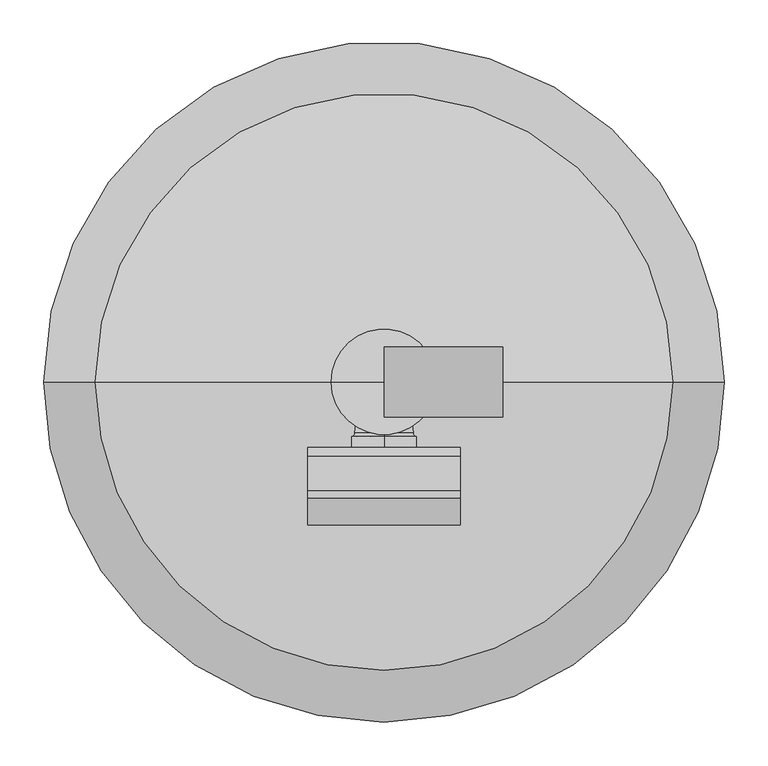
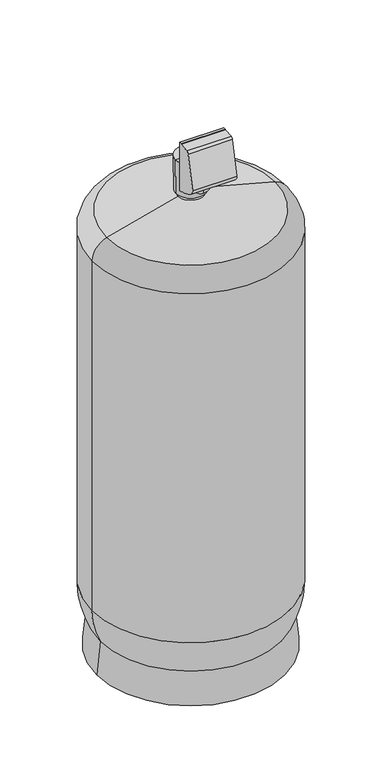
"""IFC4 building model written with IfcOpenShell, lengths in millimetres: proxy geometry."""

from ifc_helpers import new_model, si_unit, point, frame, frame_2d, origin, place, context, project, spatial, polyline, circle_curve, ellipse_curve, trimmed, segment, composite_curve, outline, extrude, source, transform, mapped, element, save
from ifc_brep_helpers import plane_surface, cylinder_surface, revolved_surface, advanced_brep


def generic_models_330928ab(model_context):
    return source(origin(), model_context, "Body", "SolidModel", [
        extrude(outline(composite_curve([segment(polyline([(-124.1105092, 2154.3115881), (-84.652, 2157.7637604), (-84.652, 2160.0), (-75.0, 2160.0), (-75.0, 1960.0), (-84.652, 1960.0), (-84.652, 1962.2507123)]), True, "CONTINUOUS"), segment(trimmed(circle_curve(frame_2d((-54.867924, 2124.8981403)), 165.3519792), [point((-84.652, 1962.2507123))], [point((-153.3783136, 1992.0938476))], False, "CARTESIAN"), True, "CONTINUOUS"), segment(trimmed(circle_curve(frame_2d((-138.2459135, 2012.4942105)), 25.4000854), [point((-153.3783136, 1992.0938476))], [point((-163.6456968, 2012.3703304))], False, "CARTESIAN"), True, "CONTINUOUS"), segment(polyline([(-163.6456968, 2012.3703304), (-133.0388133, 2146.8198515)]), True, "CONTINUOUS"), segment(trimmed(circle_curve(frame_2d((-123.2250069, 2144.19025)), 10.16), [point((-133.0388133, 2146.8198515))], [point((-124.1105092, 2154.3115881))], False, "CARTESIAN"), True, "CONTINUOUS")], self_intersect=False)), frame((-87.0649885, 0.0, 0.0), z_axis=(1.0, 0.0, 0.0), x_axis=(0.0, 1.0, 0.0)), (0.0, 0.0, 1.0), 174.1299769),
        extrude(outline(composite_curve([segment(trimmed(circle_curve(frame_2d((0.0, 2040.0)), 40.0), [point((-40.0, 2040.0))], [point((40.0, 2040.0))], False, "CARTESIAN"), True, "CONTINUOUS"), segment(trimmed(circle_curve(frame_2d((0.0, 2040.0)), 40.0), [point((40.0, 2040.0))], [point((-40.0, 2040.0))], False, "CARTESIAN"), True, "CONTINUOUS")], self_intersect=False)), frame((0.0, 0.0, 0.0), z_axis=(1.0, 0.0, 0.0), x_axis=(0.0, 1.0, 0.0)), (0.0, 0.0, 1.0), 136.0),
        advanced_brep(
        [(-51.9118095, 0.0, 1879.0902726), (51.9118095, 0.0, 1879.0902726), (330.2055236, 0.0, 1804.5216966), (-330.2055236, 0.0, 1804.5216966), (-44.5, 0.0, 1890.333), (44.5, 0.0, 1890.333), (44.5, 0.0, 1888.7495308), (-44.5, 0.0, 1888.7495308), (-46.1648686, 0.0, 1890.333), (46.1648686, 0.0, 1890.333), (0.0, 0.0, 1893.0), (46.1648686, 0.0, 1893.0), (-46.1648686, 0.0, 1893.0), (-370.5, 0.0, 0.0), (370.5, 0.0, 0.0), (0.0, 0.0, 0.0), (-389.5, 0.0, 1727.2476305), (389.5, 0.0, 1727.2476305), (389.5, 0.0, 275.1537038), (-389.5, 0.0, 275.1537038), (-356.3886575, 0.0, 134.2604559), (356.3886575, 0.0, 134.2604559)],
        [
            (0, 1, circle_curve(frame((0.0, 0.0, 1879.0902726), z_axis=(0.0, 0.0, -1.0), x_axis=(1.0, 0.0, 0.0)), 51.9118095)),
            (1, 2),
            (2, 3, circle_curve(frame((0.0, 0.0, 1804.5216966), z_axis=(0.0, 0.0, 1.0), x_axis=(1.0, 0.0, 0.0)), 330.2055236)),
            (3, 0),
            (1, 0, circle_curve(frame((0.0, 0.0, 1879.0902726), z_axis=(0.0, 0.0, -1.0), x_axis=(1.0, 0.0, 0.0)), 51.9118095)),
            (3, 2, circle_curve(frame((0.0, 0.0, 1804.5216966), z_axis=(0.0, 0.0, 1.0), x_axis=(1.0, 0.0, 0.0)), 330.2055236)),
            (4, 5, circle_curve(frame((0.0, 0.0, 1890.333), z_axis=(0.0, 0.0, -1.0), x_axis=(1.0, 0.0, 0.0)), 44.5)),
            (5, 6),
            (6, 7, circle_curve(frame((0.0, 0.0, 1888.7495308), z_axis=(0.0, 0.0, 1.0), x_axis=(1.0, 0.0, 0.0)), 44.5)),
            (7, 4),
            (5, 4, circle_curve(frame((0.0, 0.0, 1890.333), z_axis=(0.0, 0.0, -1.0), x_axis=(1.0, 0.0, 0.0)), 44.5)),
            (7, 6, circle_curve(frame((0.0, 0.0, 1888.7495308), z_axis=(0.0, 0.0, 1.0), x_axis=(1.0, 0.0, 0.0)), 44.5)),
            (8, 9, circle_curve(frame((0.0, 0.0, 1890.333), z_axis=(0.0, 0.0, -1.0), x_axis=(1.0, 0.0, 0.0)), 46.1648686)),
            (9, 5),
            (4, 8),
            (9, 8, circle_curve(frame((0.0, 0.0, 1890.333), z_axis=(0.0, 0.0, -1.0), x_axis=(1.0, 0.0, 0.0)), 46.1648686)),
            (10, 11),
            (11, 12, circle_curve(frame((0.0, 0.0, 1893.0), z_axis=(0.0, 0.0, 1.0), x_axis=(1.0, 0.0, 0.0)), 46.1648686)),
            (12, 10),
            (12, 11, circle_curve(frame((0.0, 0.0, 1893.0), z_axis=(0.0, 0.0, 1.0), x_axis=(1.0, 0.0, 0.0)), 46.1648686)),
            (13, 14, circle_curve(frame((0.0, 0.0, 0.0), z_axis=(0.0, 0.0, -1.0), x_axis=(1.0, 0.0, 0.0)), 370.5)),
            (14, 15),
            (15, 13),
            (14, 13, circle_curve(frame((0.0, 0.0, 0.0), z_axis=(0.0, 0.0, -1.0), x_axis=(1.0, 0.0, 0.0)), 370.5)),
            (16, 17, circle_curve(frame((0.0, 0.0, 1727.2476305), z_axis=(0.0, 0.0, -1.0), x_axis=(1.0, 0.0, 0.0)), 389.5)),
            (17, 18),
            (18, 19, circle_curve(frame((0.0, 0.0, 275.1537038), z_axis=(0.0, 0.0, 1.0), x_axis=(1.0, 0.0, 0.0)), 389.5)),
            (19, 16),
            (17, 16, circle_curve(frame((0.0, 0.0, 1727.2476305), z_axis=(0.0, 0.0, -1.0), x_axis=(1.0, 0.0, 0.0)), 389.5)),
            (19, 18, circle_curve(frame((0.0, 0.0, 275.1537038), z_axis=(0.0, 0.0, 1.0), x_axis=(1.0, 0.0, 0.0)), 389.5)),
            (2, 17, circle_curve(frame((309.5, 0.0, 1727.2476305), z_axis=(0.0, 1.0, 0.0), x_axis=(1.0, 0.0, 0.0)), 80.0)),
            (16, 3, circle_curve(frame((-309.5, 0.0, 1727.2476305), z_axis=(0.0, 1.0, 0.0), x_axis=(-1.0, 0.0, 0.0)), 80.0)),
            (6, 1, circle_curve(frame((54.5, 0.0, 1888.7495308), z_axis=(0.0, -1.0, 0.0), x_axis=(1.0, 0.0, 0.0)), 10.0)),
            (0, 7, circle_curve(frame((-54.5, 0.0, 1888.7495308), z_axis=(0.0, -1.0, 0.0), x_axis=(-1.0, 0.0, 0.0)), 10.0)),
            (11, 9),
            (8, 12),
            (20, 21, circle_curve(frame((0.0, 0.0, 134.2604559), z_axis=(0.0, 0.0, -1.0), x_axis=(1.0, 0.0, 0.0)), 356.3886575)),
            (21, 14),
            (13, 20),
            (21, 20, circle_curve(frame((0.0, 0.0, 134.2604559), z_axis=(0.0, 0.0, -1.0), x_axis=(1.0, 0.0, 0.0)), 356.3886575)),
            (18, 21, circle_curve(frame((73.1844007, 0.0, 275.1537038), z_axis=(0.0, 1.0, 0.0), x_axis=(1.0, 0.0, 0.0)), 316.3155993)),
            (20, 19, circle_curve(frame((-73.1844007, 0.0, 275.1537038), z_axis=(0.0, 1.0, 0.0), x_axis=(-1.0, 0.0, 0.0)), 316.3155993)),
        ],
        [
            revolved_surface(polyline([(330.2055236, 0.0, 1804.5216966), (51.9118095, 0.0, 1879.0902726)]), (0.0, 0.0, 1893.0), (0.0, 0.0, 1.0)),
            cylinder_surface(frame((0.0, 0.0, 1893.0), z_axis=(0.0, 0.0, 1.0), x_axis=(1.0, 0.0, 0.0)), 44.5),
            plane_surface(frame((0.0, 0.0, 1890.333), z_axis=(0.0, 0.0, -1.0), x_axis=(1.0, 0.0, 0.0))),
            plane_surface(frame((0.0, 0.0, 1893.0), z_axis=(0.0, 0.0, 1.0), x_axis=(1.0, 0.0, 0.0))),
            plane_surface(frame((0.0, 0.0, 0.0), z_axis=(0.0, 0.0, -1.0), x_axis=(1.0, 0.0, 0.0))),
            cylinder_surface(frame((0.0, 0.0, 1893.0), z_axis=(0.0, 0.0, 1.0), x_axis=(1.0, 0.0, 0.0)), 389.5),
            revolved_surface(trimmed(ellipse_curve(frame((309.5, 0.0, 1727.2476305), z_axis=(0.0, -1.0, 0.0), x_axis=(1.0, 0.0, 0.0)), 80.0, 80.0), [point((389.5, 0.0, 1727.2476305))], [point((330.2055236, 0.0, 1804.5216966))], True, "CARTESIAN"), (0.0, 0.0, 1893.0), (0.0, 0.0, 1.0)),
            revolved_surface(trimmed(ellipse_curve(frame((54.5, 0.0, 1888.7495308), z_axis=(0.0, 1.0, 0.0), x_axis=(1.0, 0.0, 0.0)), 10.0, 10.0), [point((51.9118095, 0.0, 1879.0902726))], [point((44.5, 0.0, 1888.7495308))], True, "CARTESIAN"), (0.0, 0.0, 1893.0), (0.0, 0.0, 1.0)),
            cylinder_surface(frame((0.0, 0.0, 1893.0), z_axis=(0.0, 0.0, 1.0), x_axis=(1.0, 0.0, 0.0)), 46.1648686),
            revolved_surface(polyline([(370.5, 0.0, 0.0), (356.3886575, 0.0, 134.2604559)]), (0.0, 0.0, 1893.0), (0.0, 0.0, 1.0)),
            revolved_surface(trimmed(ellipse_curve(frame((73.1844007, 0.0, 275.1537038), z_axis=(0.0, -1.0, 0.0), x_axis=(1.0, 0.0, 0.0)), 316.3155993, 316.3155993), [point((356.3886575, 0.0, 134.2604559))], [point((389.5, 0.0, 275.1537038))], True, "CARTESIAN"), (0.0, 0.0, 1893.0), (0.0, 0.0, 1.0)),
        ],
        [
            (0, [[1, 2, 3, 4]]),
            (0, [[5, -4, 6, -2]]),
            (1, [[7, 8, 9, 10]]),
            (1, [[11, -10, 12, -8]]),
            (2, [[13, 14, -7, 15]]),
            (2, [[16, -15, -11, -14]]),
            (3, [[17, 18, 19]]),
            (3, [[-19, 20, -17]]),
            (4, [[21, 22, 23]]),
            (4, [[24, -23, -22]]),
            (5, [[25, 26, 27, 28]]),
            (5, [[29, -28, 30, -26]]),
            (6, [[-3, 31, -25, 32]]),
            (6, [[-6, -32, -29, -31]]),
            (7, [[-9, 33, -1, 34]]),
            (7, [[-12, -34, -5, -33]]),
            (8, [[-18, 35, -13, 36]]),
            (8, [[-20, -36, -16, -35]]),
            (9, [[37, 38, -21, 39]]),
            (9, [[40, -39, -24, -38]]),
            (10, [[-27, 41, -37, 42]]),
            (10, [[-30, -42, -40, -41]]),
        ],
    ),
        advanced_brep(
        [(0.0, 0.0, 1938.7421392), (0.0, 0.0, 1983.3553685), (0.0, 0.0, 1961.0487539), (0.0, -31.9566274, 1930.7744571), (0.0, -31.9566274, 1991.3230506), (0.0, -57.9109457, 1927.6522914), (0.0, -57.9109457, 1994.4452164), (0.0, -61.8757095, 1925.4665191), (0.0, -61.8757095, 1996.6309887), (0.0, -62.6845842, 1924.0279701), (0.0, -62.6845842, 1998.0695377), (0.0, -84.582, 1924.0279701), (0.0, -84.582, 1998.0695377), (0.0, -84.582, 1961.0487539)],
        [
            (0, 1, circle_curve(frame((0.0, 0.0, 1961.0487539), z_axis=(0.0, 1.0, 0.0), x_axis=(0.0, 0.0, 1.0)), 22.3066146)),
            (1, 2),
            (2, 0),
            (1, 0, circle_curve(frame((0.0, 0.0, 1961.0487539), z_axis=(0.0, 1.0, 0.0), x_axis=(0.0, 0.0, 1.0)), 22.3066146)),
            (3, 4, circle_curve(frame((0.0, -31.9566274, 1961.0487539), z_axis=(0.0, 1.0, 0.0), x_axis=(0.0, 0.0, 1.0)), 30.2742967)),
            (4, 1),
            (0, 3),
            (4, 3, circle_curve(frame((0.0, -31.9566274, 1961.0487539), z_axis=(0.0, 1.0, 0.0), x_axis=(0.0, 0.0, 1.0)), 30.2742967)),
            (5, 6, circle_curve(frame((0.0, -57.9109457, 1961.0487539), z_axis=(0.0, 1.0, 0.0), x_axis=(0.0, 0.0, 1.0)), 33.3964625)),
            (6, 4, circle_curve(frame((0.0, -66.9915317, 1809.5198335), z_axis=(-1.0, 0.0, 0.0), x_axis=(0.0, 1.0, 0.0)), 185.1481954)),
            (3, 5, circle_curve(frame((0.0, -66.9915317, 2112.5776743), z_axis=(-1.0, 0.0, 0.0), x_axis=(0.0, 1.0, 0.0)), 185.1481954)),
            (6, 5, circle_curve(frame((0.0, -57.9109457, 1961.0487539), z_axis=(0.0, 1.0, 0.0), x_axis=(0.0, 0.0, 1.0)), 33.3964625)),
            (7, 8, circle_curve(frame((0.0, -61.8757095, 1961.0487539), z_axis=(0.0, 1.0, 0.0), x_axis=(0.0, 0.0, 1.0)), 35.5822348)),
            (8, 6, circle_curve(frame((0.0, -57.5754815, 1999.7424344), z_axis=(1.0, 0.0, 0.0), x_axis=(0.0, 1.0, 0.0)), 5.3078296)),
            (5, 7, circle_curve(frame((0.0, -57.5754815, 1922.3550733), z_axis=(1.0, 0.0, 0.0), x_axis=(0.0, 1.0, 0.0)), 5.3078296)),
            (8, 7, circle_curve(frame((0.0, -61.8757095, 1961.0487539), z_axis=(0.0, 1.0, 0.0), x_axis=(0.0, 0.0, 1.0)), 35.5822348)),
            (9, 10, circle_curve(frame((0.0, -62.6845842, 1961.0487539), z_axis=(0.0, 1.0, 0.0), x_axis=(0.0, 0.0, 1.0)), 37.0207838)),
            (10, 8, circle_curve(frame((0.0, -57.9109457, 1999.807), z_axis=(1.0, 0.0, 0.0), x_axis=(0.0, 1.0, 0.0)), 5.08)),
            (7, 9, circle_curve(frame((0.0, -57.9109457, 1922.2905078), z_axis=(1.0, 0.0, 0.0), x_axis=(0.0, 1.0, 0.0)), 5.08)),
            (10, 9, circle_curve(frame((0.0, -62.6845842, 1961.0487539), z_axis=(0.0, 1.0, 0.0), x_axis=(0.0, 0.0, 1.0)), 37.0207838)),
            (11, 12, circle_curve(frame((0.0, -84.582, 1961.0487539), z_axis=(0.0, 1.0, 0.0), x_axis=(0.0, 0.0, 1.0)), 37.0207838)),
            (12, 10),
            (9, 11),
            (12, 11, circle_curve(frame((0.0, -84.582, 1961.0487539), z_axis=(0.0, 1.0, 0.0), x_axis=(0.0, 0.0, 1.0)), 37.0207838)),
            (13, 12),
            (11, 13),
        ],
        [
            plane_surface(frame((0.0, 0.0, 1961.0487539), z_axis=(0.0, 1.0, 0.0), x_axis=(0.0, 0.0, 1.0))),
            revolved_surface(polyline([(0.0, 0.0, 1983.3553685), (0.0, -31.9566274, 1991.3230506)]), (0.0, -102.6845842, 1961.0487539), (0.0, -1.0, 0.0)),
            revolved_surface(trimmed(ellipse_curve(frame((0.0, -66.9915317, 1809.5198335), z_axis=(1.0, 0.0, 0.0), x_axis=(0.0, 1.0, 0.0)), 185.1481954, 185.1481954), [point((0.0, -31.9566274, 1991.3230506))], [point((0.0, -57.9109457, 1994.4452164))], True, "CARTESIAN"), (0.0, -102.6845842, 1961.0487539), (0.0, -1.0, 0.0)),
            revolved_surface(trimmed(ellipse_curve(frame((0.0, -57.5754815, 1999.7424344), z_axis=(-1.0, 0.0, 0.0), x_axis=(0.0, 1.0, 0.0)), 5.3078296, 5.3078296), [point((0.0, -57.9109457, 1994.4452164))], [point((0.0, -61.8757095, 1996.6309887))], True, "CARTESIAN"), (0.0, -102.6845842, 1961.0487539), (0.0, -1.0, 0.0)),
            revolved_surface(trimmed(ellipse_curve(frame((0.0, -57.9109457, 1999.807), z_axis=(-1.0, 0.0, 0.0), x_axis=(0.0, 1.0, 0.0)), 5.08, 5.08), [point((0.0, -61.8757095, 1996.6309887))], [point((0.0, -62.6845842, 1998.0695377))], True, "CARTESIAN"), (0.0, -102.6845842, 1961.0487539), (0.0, -1.0, 0.0)),
            cylinder_surface(frame((0.0, -102.6845842, 1961.0487539), z_axis=(0.0, -1.0, 0.0), x_axis=(0.0, 0.0, 1.0)), 37.0207838),
            plane_surface(frame((0.0, -84.582, 1961.0487539), z_axis=(0.0, -1.0, 0.0), x_axis=(0.0, 0.0, 1.0))),
        ],
        [
            (0, [[1, 2, 3]]),
            (0, [[4, -3, -2]]),
            (1, [[5, 6, -1, 7]]),
            (1, [[8, -7, -4, -6]]),
            (2, [[9, 10, -5, 11]]),
            (2, [[12, -11, -8, -10]]),
            (3, [[13, 14, -9, 15]]),
            (3, [[16, -15, -12, -14]]),
            (4, [[17, 18, -13, 19]]),
            (4, [[20, -19, -16, -18]]),
            (5, [[21, 22, -17, 23]]),
            (5, [[24, -23, -20, -22]]),
            (6, [[25, -21, 26]]),
            (6, [[-26, -24, -25]]),
        ],
    ),
        advanced_brep(
        [(-58.6791394, 0.0, 1893.0), (58.6791394, 0.0, 1893.0), (0.0, 0.0, 1893.0), (-60.4193392, 0.0, 2033.0), (60.4193392, 0.0, 2033.0), (0.0, 0.0, 2033.0)],
        [
            (0, 1, circle_curve(frame((0.0, 0.0, 1893.0), z_axis=(0.0, 0.0, -1.0), x_axis=(1.0, 0.0, 0.0)), 58.6791394)),
            (1, 2),
            (2, 0),
            (1, 0, circle_curve(frame((0.0, 0.0, 1893.0), z_axis=(0.0, 0.0, -1.0), x_axis=(1.0, 0.0, 0.0)), 58.6791394)),
            (3, 4, circle_curve(frame((0.0, 0.0, 2033.0), z_axis=(0.0, 0.0, -1.0), x_axis=(1.0, 0.0, 0.0)), 60.4193392)),
            (4, 1),
            (0, 3),
            (4, 3, circle_curve(frame((0.0, 0.0, 2033.0), z_axis=(0.0, 0.0, -1.0), x_axis=(1.0, 0.0, 0.0)), 60.4193392)),
            (5, 4),
            (3, 5),
        ],
        [
            plane_surface(frame((0.0, 0.0, 1893.0), z_axis=(0.0, 0.0, -1.0), x_axis=(1.0, 0.0, 0.0))),
            revolved_surface(polyline([(58.6791394, 0.0, 1893.0), (60.4193392, 0.0, 2033.0)]), (0.0, 0.0, 2039.8753239), (0.0, 0.0, 1.0)),
            plane_surface(frame((0.0, 0.0, 2033.0), z_axis=(0.0, 0.0, 1.0), x_axis=(1.0, 0.0, 0.0))),
        ],
        [
            (0, [[1, 2, 3]]),
            (0, [[4, -3, -2]]),
            (1, [[5, 6, -1, 7]]),
            (1, [[8, -7, -4, -6]]),
            (2, [[9, -5, 10]]),
            (2, [[-10, -8, -9]]),
        ],
    ),
    ])


if __name__ == "__main__":
    model = new_model("IFC4")
    model_context = context("Model", 3, world=origin())
    ifc_project = project(units=[si_unit("LENGTHUNIT", "METRE", prefix="MILLI")], contexts=[model_context])
    site = spatial("IfcSite", under=ifc_project)
    building = spatial("IfcBuilding", under=site)
    placement = place(None, origin())
    generic_models_shape = generic_models_330928ab(model_context)
    element("IfcBuildingElementProxy", 1, Name="Generic Models", at=placement, inside=building, context=model_context, shape_type="MappedRepresentation", body=[
        mapped(generic_models_shape, transform((0.0, 0.0, 0.0), x_axis=(1.0, 0.0, 0.0), y_axis=(0.0, 1.0, 0.0), z_axis=(0.0, 0.0, 1.0))),
    ])
    save(model, "model.ifc")
